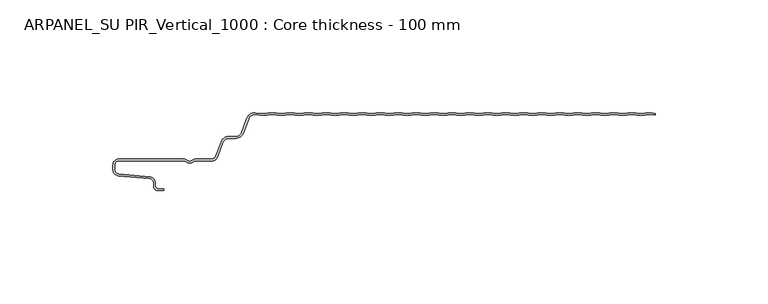
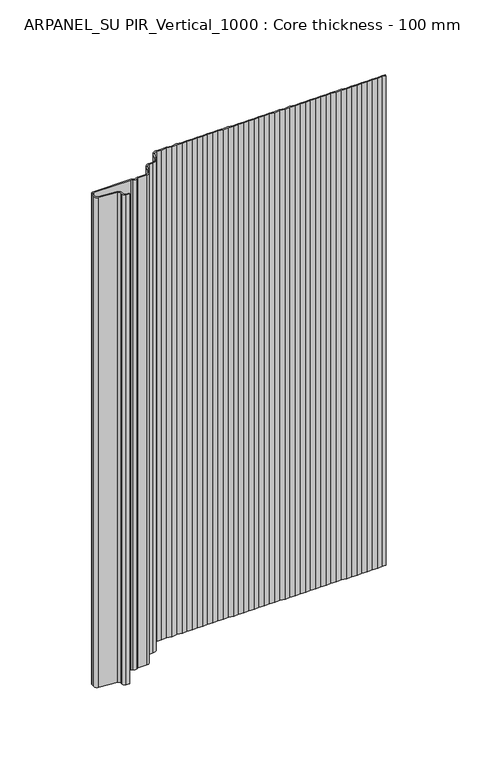
"""IFC4 building model written with IfcOpenShell, lengths in millimetres: plate geometry, ARPANEL_SU PIR_Vertical_1000 : Core thickness - 100 mm."""

from ifc_helpers import new_model, si_unit, frame, origin, place, context, project, spatial, polyline, circle_curve, source, transform, mapped, element, save
from ifc_brep_helpers import plane_surface, cylinder_surface, revolved_surface, advanced_brep


def arpanel_su_pir_vertical_1000_core_thickness_100_mm_f28e67d1(model_context):
    return source(origin(), model_context, "Body", "AdvancedBrep", [
        advanced_brep(
        [(-49.3959945, 0.0209979, 0.0), (-45.4209945, -0.434916, 0.0), (-41.4459945, 0.020998, 0.0), (-37.4709945, -0.434916, 0.0), (-33.4959945, 0.0209979, 0.0), (-29.5209945, -0.434916, 0.0), (-25.5459945, 0.020998, 0.0), (-21.5709945, -0.434916, 0.0), (-17.5959945, 0.0209979, 0.0), (-13.6209945, -0.434916, 0.0), (-9.6459945, 0.020998, 0.0), (-5.6709945, -0.434916, 0.0), (-1.6959945, 0.0209979, 0.0), (2.2790055, -0.434916, 0.0), (6.2540055, 0.020998, 0.0), (10.2290055, -0.434916, 0.0), (14.2040055, 0.0209979, 0.0), (18.1790055, -0.434916, 0.0), (22.1540055, 0.020998, 0.0), (26.1290055, -0.434916, 0.0), (30.1040055, 0.0209979, 0.0), (34.0790055, -0.434916, 0.0), (38.0540055, 0.0209979, 0.0), (42.0290055, -0.434916, 0.0), (46.0040055, 0.020998, 0.0), (49.9790055, -0.434916, 0.0), (53.9540055, 0.0209979, 0.0), (57.9290055, -0.434916, 0.0), (61.9040055, 0.020998, 0.0), (65.8790055, -0.434916, 0.0), (69.8540055, 0.0209979, 0.0), (73.8290055, -0.434916, 0.0), (77.8040055, 0.020998, 0.0), (81.7790055, -0.434916, 0.0), (85.7540055, 0.0209979, 0.0), (89.7290055, -0.434916, 0.0), (93.7040055, 0.020998, 0.0), (97.6790055, -0.434916, 0.0), (101.6540055, 0.0209979, 0.0), (105.6290055, -0.434916, 0.0), (109.6040055, 0.020998, 0.0), (113.5790055, -0.434916, 0.0), (117.5540055, 0.0209979, 0.0), (119.9999998, -0.2595462, 0.0), (119.9999998, -1.064791, 0.0), (117.5540055, -0.7842469, 0.0), (113.5790055, -1.2401608, 0.0), (109.6040055, -0.7842469, 0.0), (105.6290055, -1.2401608, 0.0), (101.6540055, -0.7842469, 0.0), (97.6790055, -1.2401608, 0.0), (93.7040055, -0.7842469, 0.0), (89.7290055, -1.2401608, 0.0), (85.7540055, -0.7842469, 0.0), (81.7790055, -1.2401608, 0.0), (77.8040055, -0.7842469, 0.0), (73.8290055, -1.2401608, 0.0), (69.8540055, -0.7842469, 0.0), (65.8790055, -1.2401608, 0.0), (61.9040055, -0.7842469, 0.0), (57.9290055, -1.2401608, 0.0), (53.9540055, -0.7842469, 0.0), (49.9790055, -1.2401608, 0.0), (46.0040055, -0.7842469, 0.0), (42.0290055, -1.2401608, 0.0), (38.0540055, -0.7842469, 0.0), (34.0790055, -1.2401608, 0.0), (30.1040055, -0.7842469, 0.0), (26.1290055, -1.2401608, 0.0), (22.1540055, -0.7842469, 0.0), (18.1790055, -1.2401608, 0.0), (14.2040055, -0.7842469, 0.0), (10.2290055, -1.2401608, 0.0), (6.2540055, -0.7842469, 0.0), (2.2790055, -1.2401608, 0.0), (-1.6959945, -0.7842469, 0.0), (-5.6709945, -1.2401608, 0.0), (-9.6459945, -0.7842469, 0.0), (-13.6209945, -1.2401608, 0.0), (-17.5959945, -0.7842469, 0.0), (-21.5709945, -1.2401608, 0.0), (-25.5459945, -0.7842469, 0.0), (-29.5209945, -1.2401608, 0.0), (-33.4959945, -0.7842469, 0.0), (-37.4709945, -1.2401608, 0.0), (-41.4459945, -0.7842469, 0.0), (-45.4209945, -1.2401608, 0.0), (-49.3959945, -0.7842469, 0.0), (-53.3709945, -1.2401608, 0.0), (-56.974295, -0.8268791, 0.0), (-59.9575556, -2.6832307, 0.0), (-62.1915348, -8.821038, 0.0), (-65.8165278, -11.3209755, 0.0), (-68.7504363, -11.3209755, 0.0), (-71.4097075, -13.1828966, 0.0), (-73.7017226, -19.4789642, 0.0), (-76.3328037, -21.3211477, 0.0), (-83.355028, -21.3211477, 0.0), (-84.4794723, -21.7461477, 0.0), (-87.5220864, -21.7461477, 0.0), (-88.6465307, -21.3211477, 0.0), (-117.3699998, -21.3211477, 0.0), (-119.1999998, -23.1511477, 0.0), (-119.1999998, -25.314536, 0.0), (-117.5294949, -27.1375723, 0.0), (-103.7559637, -28.3426003, 0.0), (-101.1999998, -31.1319454, 0.0), (-101.1999998, -32.5211477, 0.0), (-99.9999998, -33.7211477, 0.0), (-97.4999998, -33.7211477, 0.0), (-97.4999998, -34.5211477, 0.0), (-99.9999998, -34.5211477, 0.0), (-101.9999998, -32.5211477, 0.0), (-101.9999998, -31.1319454, 0.0), (-103.8256883, -29.1395561, 0.0), (-117.5992195, -27.934528, 0.0), (-119.9999998, -25.314536, 0.0), (-119.9999998, -23.1511477, 0.0), (-117.3699998, -20.5211477, 0.0), (-88.6465307, -20.5211477, 0.0), (-86.9929361, -21.1461477, 0.0), (-85.0086226, -21.1461477, 0.0), (-83.355028, -20.5211477, 0.0), (-76.3328037, -20.5211477, 0.0), (-74.45346, -19.2053023, 0.0), (-72.161445, -12.9092348, 0.0), (-68.7504363, -10.5209755, 0.0), (-65.8104898, -10.5209755, 0.0), (-62.9432889, -8.5474219, 0.0), (-60.7093097, -2.4096146, 0.0), (-56.8845932, -0.044791, 0.0), (-53.3709945, -0.434916, 0.0), (-49.3959945, 0.0209979, 400.0), (-53.3709945, -0.434916, 400.0), (-56.8831364, -0.0320897, 400.0), (-60.7093097, -2.4096146, 400.0), (-62.9432889, -8.5474219, 400.0), (-65.8104898, -10.5209755, 400.0), (-68.7504363, -10.5209755, 400.0), (-72.161445, -12.9092348, 400.0), (-74.45346, -19.2053023, 400.0), (-76.3328037, -20.5211477, 400.0), (-83.355028, -20.5211477, 400.0), (-85.0086226, -21.1461477, 400.0), (-86.9929361, -21.1461477, 400.0), (-88.6465307, -20.5211477, 400.0), (-117.3699998, -20.5211477, 400.0), (-119.9999998, -23.1511477, 400.0), (-119.9999998, -25.314536, 400.0), (-117.5992195, -27.934528, 400.0), (-103.8256883, -29.1395561, 400.0), (-101.9999998, -31.1319454, 400.0), (-101.9999998, -32.5211477, 400.0), (-99.9999998, -34.5211477, 400.0), (-97.4999998, -34.5211477, 400.0), (-97.4999998, -33.7211477, 400.0), (-99.9999998, -33.7211477, 400.0), (-101.1999998, -32.5211477, 400.0), (-101.1999998, -31.1319454, 400.0), (-103.7559637, -28.3426003, 400.0), (-117.5294949, -27.1375723, 400.0), (-119.1999998, -25.314536, 400.0), (-119.1999998, -23.1511477, 400.0), (-117.3699998, -21.3211477, 400.0), (-88.6465307, -21.3211477, 400.0), (-87.5220864, -21.7461477, 400.0), (-84.4794723, -21.7461477, 400.0), (-83.355028, -21.3211477, 400.0), (-76.3328037, -21.3211477, 400.0), (-73.7017226, -19.4789642, 400.0), (-71.4097075, -13.1828966, 400.0), (-68.7504363, -11.3209755, 400.0), (-65.8165278, -11.3209755, 400.0), (-62.1915348, -8.821038, 400.0), (-59.9575556, -2.6832307, 400.0), (-56.9757518, -0.8395804, 400.0), (-53.3709945, -1.2401608, 400.0), (-49.3959945, -0.7842469, 400.0), (-45.4209945, -1.2401608, 400.0), (-41.4459945, -0.7842469, 400.0), (-37.4709945, -1.2401608, 400.0), (-33.4959945, -0.7842469, 400.0), (-29.5209945, -1.2401608, 400.0), (-25.5459945, -0.7842469, 400.0), (-21.5709945, -1.2401608, 400.0), (-17.5959945, -0.7842469, 400.0), (-13.6209945, -1.2401608, 400.0), (-9.6459945, -0.7842469, 400.0), (-5.6709945, -1.2401608, 400.0), (-1.6959945, -0.7842469, 400.0), (2.2790055, -1.2401608, 400.0), (6.2540055, -0.7842469, 400.0), (10.2290055, -1.2401608, 400.0), (14.2040055, -0.7842469, 400.0), (18.1790055, -1.2401608, 400.0), (22.1540055, -0.7842469, 400.0), (26.1290055, -1.2401608, 400.0), (30.1040055, -0.7842469, 400.0), (34.0790055, -1.2401608, 400.0), (38.0540055, -0.7842469, 400.0), (42.0290055, -1.2401608, 400.0), (46.0040055, -0.7842469, 400.0), (49.9790055, -1.2401608, 400.0), (53.9540055, -0.7842469, 400.0), (57.9290055, -1.2401608, 400.0), (61.9040055, -0.7842469, 400.0), (65.8790055, -1.2401608, 400.0), (69.8540055, -0.7842469, 400.0), (73.8290055, -1.2401608, 400.0), (77.8040055, -0.7842469, 400.0), (81.7790055, -1.2401608, 400.0), (85.7540055, -0.7842469, 400.0), (89.7290055, -1.2401608, 400.0), (93.7040055, -0.7842469, 400.0), (97.6790055, -1.2401608, 400.0), (101.6540055, -0.7842469, 400.0), (105.6290055, -1.2401608, 400.0), (109.6040055, -0.7842469, 400.0), (113.5790055, -1.2401608, 400.0), (117.5540055, -0.7842469, 400.0), (119.9999998, -1.064791, 400.0), (119.9999998, -0.2595462, 400.0), (117.5540055, 0.0209979, 400.0), (113.5790055, -0.434916, 400.0), (109.6040055, 0.020998, 400.0), (105.6290055, -0.434916, 400.0), (101.6540055, 0.0209979, 400.0), (97.6790055, -0.434916, 400.0), (93.7040055, 0.020998, 400.0), (89.7290055, -0.434916, 400.0), (85.7540055, 0.0209979, 400.0), (81.7790055, -0.434916, 400.0), (77.8040055, 0.020998, 400.0), (73.8290055, -0.434916, 400.0), (69.8540055, 0.0209979, 400.0), (65.8790055, -0.434916, 400.0), (61.9040055, 0.020998, 400.0), (57.9290055, -0.434916, 400.0), (53.9540055, 0.0209979, 400.0), (49.9790055, -0.434916, 400.0), (46.0040055, 0.020998, 400.0), (42.0290055, -0.434916, 400.0), (38.0540055, 0.0209979, 400.0), (34.0790055, -0.434916, 400.0), (30.1040055, 0.0209979, 400.0), (26.1290055, -0.434916, 400.0), (22.1540055, 0.020998, 400.0), (18.1790055, -0.434916, 400.0), (14.2040055, 0.0209979, 400.0), (10.2290055, -0.434916, 400.0), (6.2540055, 0.020998, 400.0), (2.2790055, -0.434916, 400.0), (-1.6959945, 0.0209979, 400.0), (-5.6709945, -0.434916, 400.0), (-9.6459945, 0.020998, 400.0), (-13.6209945, -0.434916, 400.0), (-17.5959945, 0.0209979, 400.0), (-21.5709945, -0.434916, 400.0), (-25.5459945, 0.020998, 400.0), (-29.5209945, -0.434916, 400.0), (-33.4959945, 0.0209979, 400.0), (-37.4709945, -0.434916, 400.0), (-41.4459945, 0.020998, 400.0), (-45.4209945, -0.434916, 400.0)],
        [
            (0, 1),
            (1, 2),
            (2, 3),
            (3, 4),
            (4, 5),
            (5, 6),
            (6, 7),
            (7, 8),
            (8, 9),
            (9, 10),
            (10, 11),
            (11, 12),
            (12, 13),
            (13, 14),
            (14, 15),
            (15, 16),
            (16, 17),
            (17, 18),
            (18, 19),
            (19, 20),
            (20, 21),
            (21, 22),
            (22, 23),
            (23, 24),
            (24, 25),
            (25, 26),
            (26, 27),
            (27, 28),
            (28, 29),
            (29, 30),
            (30, 31),
            (31, 32),
            (32, 33),
            (33, 34),
            (34, 35),
            (35, 36),
            (36, 37),
            (37, 38),
            (38, 39),
            (39, 40),
            (40, 41),
            (41, 42),
            (42, 43),
            (43, 44),
            (44, 45),
            (45, 46),
            (46, 47),
            (47, 48),
            (48, 49),
            (49, 50),
            (50, 51),
            (51, 52),
            (52, 53),
            (53, 54),
            (54, 55),
            (55, 56),
            (56, 57),
            (57, 58),
            (58, 59),
            (59, 60),
            (60, 61),
            (61, 62),
            (62, 63),
            (63, 64),
            (64, 65),
            (65, 66),
            (66, 67),
            (67, 68),
            (68, 69),
            (69, 70),
            (70, 71),
            (71, 72),
            (72, 73),
            (73, 74),
            (74, 75),
            (75, 76),
            (76, 77),
            (77, 78),
            (78, 79),
            (79, 80),
            (80, 81),
            (81, 82),
            (82, 83),
            (83, 84),
            (84, 85),
            (85, 86),
            (86, 87),
            (87, 88),
            (88, 89),
            (89, 90, circle_curve(frame((-57.2982255, -3.6511477, 0.0), z_axis=(0.0, 0.0, 1.0), x_axis=(1.0, 0.0, 0.0)), 2.83)),
            (90, 91),
            (91, 92, circle_curve(frame((-65.7623667, -7.5213615, 0.0), z_axis=(0.0, 0.0, -1.0), x_axis=(1.0, 0.0, 0.0)), 3.8)),
            (92, 93),
            (93, 94, circle_curve(frame((-68.7504363, -14.1509755, 0.0), z_axis=(0.0, 0.0, 1.0), x_axis=(1.0, 0.0, 0.0)), 2.83)),
            (94, 95),
            (95, 96, circle_curve(frame((-76.3328037, -18.5211477, 0.0), z_axis=(0.0, 0.0, -1.0), x_axis=(1.0, 0.0, 0.0)), 2.8)),
            (96, 97),
            (97, 98, circle_curve(frame((-83.355028, -23.0211477, 0.0), z_axis=(0.0, 0.0, 1.0), x_axis=(1.0, 0.0, 0.0)), 1.7)),
            (98, 99, circle_curve(frame((-86.0007794, -20.0211477, 0.0), z_axis=(0.0, 0.0, -1.0), x_axis=(1.0, 0.0, 0.0)), 2.3)),
            (99, 100, circle_curve(frame((-88.6465307, -23.0211477, 0.0), z_axis=(0.0, 0.0, 1.0), x_axis=(1.0, 0.0, 0.0)), 1.7)),
            (100, 101),
            (101, 102, circle_curve(frame((-117.3699998, -23.1511477, 0.0), z_axis=(0.0, 0.0, 1.0), x_axis=(1.0, 0.0, 0.0)), 1.83)),
            (102, 103),
            (103, 104, circle_curve(frame((-117.3699998, -25.314536, 0.0), z_axis=(0.0, 0.0, 1.0), x_axis=(1.0, 0.0, 0.0)), 1.83)),
            (104, 105),
            (105, 106, circle_curve(frame((-103.9999998, -31.1319454, 0.0), z_axis=(0.0, 0.0, -1.0), x_axis=(1.0, 0.0, 0.0)), 2.8)),
            (106, 107),
            (107, 108, circle_curve(frame((-99.9999998, -32.5211477, 0.0), z_axis=(0.0, 0.0, 1.0), x_axis=(1.0, 0.0, 0.0)), 1.2)),
            (108, 109),
            (109, 110),
            (110, 111),
            (111, 112, circle_curve(frame((-99.9999998, -32.5211477, 0.0), z_axis=(0.0, 0.0, -1.0), x_axis=(1.0, 0.0, 0.0)), 2.0)),
            (112, 113),
            (113, 114, circle_curve(frame((-103.9999998, -31.1319454, 0.0), z_axis=(0.0, 0.0, 1.0), x_axis=(1.0, 0.0, 0.0)), 2.0)),
            (114, 115),
            (115, 116, circle_curve(frame((-117.3699998, -25.314536, 0.0), z_axis=(0.0, 0.0, -1.0), x_axis=(1.0, 0.0, 0.0)), 2.63)),
            (116, 117),
            (117, 118, circle_curve(frame((-117.3699998, -23.1511477, 0.0), z_axis=(0.0, 0.0, -1.0), x_axis=(1.0, 0.0, 0.0)), 2.63)),
            (118, 119),
            (119, 120, circle_curve(frame((-88.6465307, -23.0211477, 0.0), z_axis=(0.0, 0.0, -1.0), x_axis=(1.0, 0.0, 0.0)), 2.5)),
            (120, 121, circle_curve(frame((-86.0007794, -20.0211477, 0.0), z_axis=(0.0, 0.0, 1.0), x_axis=(1.0, 0.0, 0.0)), 1.5)),
            (121, 122, circle_curve(frame((-83.355028, -23.0211477, 0.0), z_axis=(0.0, 0.0, -1.0), x_axis=(1.0, 0.0, 0.0)), 2.5)),
            (122, 123),
            (123, 124, circle_curve(frame((-76.3328037, -18.5211477, 0.0), z_axis=(0.0, 0.0, 1.0), x_axis=(1.0, 0.0, 0.0)), 2.0)),
            (124, 125),
            (125, 126, circle_curve(frame((-68.7504363, -14.1509755, 0.0), z_axis=(0.0, 0.0, -1.0), x_axis=(1.0, 0.0, 0.0)), 3.63)),
            (126, 127),
            (127, 128, circle_curve(frame((-65.7623667, -7.5213615, 0.0), z_axis=(0.0, 0.0, 1.0), x_axis=(1.0, 0.0, 0.0)), 3.0)),
            (128, 129),
            (129, 130, circle_curve(frame((-57.2982255, -3.6511477, 0.0), z_axis=(0.0, 0.0, -1.0), x_axis=(1.0, 0.0, 0.0)), 3.63)),
            (130, 131),
            (131, 0),
            (132, 133),
            (133, 134),
            (134, 135, circle_curve(frame((-57.2982255, -3.6511477, 400.0), z_axis=(0.0, 0.0, 1.0), x_axis=(1.0, 0.0, 0.0)), 3.63)),
            (135, 136),
            (136, 137, circle_curve(frame((-65.7623667, -7.5213615, 400.0), z_axis=(0.0, 0.0, -1.0), x_axis=(1.0, 0.0, 0.0)), 3.0)),
            (137, 138),
            (138, 139, circle_curve(frame((-68.7504363, -14.1509755, 400.0), z_axis=(0.0, 0.0, 1.0), x_axis=(1.0, 0.0, 0.0)), 3.63)),
            (139, 140),
            (140, 141, circle_curve(frame((-76.3328037, -18.5211477, 400.0), z_axis=(0.0, 0.0, -1.0), x_axis=(1.0, 0.0, 0.0)), 2.0)),
            (141, 142),
            (142, 143, circle_curve(frame((-83.355028, -23.0211477, 400.0), z_axis=(0.0, 0.0, 1.0), x_axis=(1.0, 0.0, 0.0)), 2.5)),
            (143, 144, circle_curve(frame((-86.0007794, -20.0211477, 400.0), z_axis=(0.0, 0.0, -1.0), x_axis=(1.0, 0.0, 0.0)), 1.5)),
            (144, 145, circle_curve(frame((-88.6465307, -23.0211477, 400.0), z_axis=(0.0, 0.0, 1.0), x_axis=(1.0, 0.0, 0.0)), 2.5)),
            (145, 146),
            (146, 147, circle_curve(frame((-117.3699998, -23.1511477, 400.0), z_axis=(0.0, 0.0, 1.0), x_axis=(1.0, 0.0, 0.0)), 2.63)),
            (147, 148),
            (148, 149, circle_curve(frame((-117.3699998, -25.314536, 400.0), z_axis=(0.0, 0.0, 1.0), x_axis=(1.0, 0.0, 0.0)), 2.63)),
            (149, 150),
            (150, 151, circle_curve(frame((-103.9999998, -31.1319454, 400.0), z_axis=(0.0, 0.0, -1.0), x_axis=(1.0, 0.0, 0.0)), 2.0)),
            (151, 152),
            (152, 153, circle_curve(frame((-99.9999998, -32.5211477, 400.0), z_axis=(0.0, 0.0, 1.0), x_axis=(1.0, 0.0, 0.0)), 2.0)),
            (153, 154),
            (154, 155),
            (155, 156),
            (156, 157, circle_curve(frame((-99.9999998, -32.5211477, 400.0), z_axis=(0.0, 0.0, -1.0), x_axis=(1.0, 0.0, 0.0)), 1.2)),
            (157, 158),
            (158, 159, circle_curve(frame((-103.9999998, -31.1319454, 400.0), z_axis=(0.0, 0.0, 1.0), x_axis=(1.0, 0.0, 0.0)), 2.8)),
            (159, 160),
            (160, 161, circle_curve(frame((-117.3699998, -25.314536, 400.0), z_axis=(0.0, 0.0, -1.0), x_axis=(1.0, 0.0, 0.0)), 1.83)),
            (161, 162),
            (162, 163, circle_curve(frame((-117.3699998, -23.1511477, 400.0), z_axis=(0.0, 0.0, -1.0), x_axis=(1.0, 0.0, 0.0)), 1.83)),
            (163, 164),
            (164, 165, circle_curve(frame((-88.6465307, -23.0211477, 400.0), z_axis=(0.0, 0.0, -1.0), x_axis=(1.0, 0.0, 0.0)), 1.7)),
            (165, 166, circle_curve(frame((-86.0007794, -20.0211477, 400.0), z_axis=(0.0, 0.0, 1.0), x_axis=(1.0, 0.0, 0.0)), 2.3)),
            (166, 167, circle_curve(frame((-83.355028, -23.0211477, 400.0), z_axis=(0.0, 0.0, -1.0), x_axis=(1.0, 0.0, 0.0)), 1.7)),
            (167, 168),
            (168, 169, circle_curve(frame((-76.3328037, -18.5211477, 400.0), z_axis=(0.0, 0.0, 1.0), x_axis=(1.0, 0.0, 0.0)), 2.8)),
            (169, 170),
            (170, 171, circle_curve(frame((-68.7504363, -14.1509755, 400.0), z_axis=(0.0, 0.0, -1.0), x_axis=(1.0, 0.0, 0.0)), 2.83)),
            (171, 172),
            (172, 173, circle_curve(frame((-65.7623667, -7.5213615, 400.0), z_axis=(0.0, 0.0, 1.0), x_axis=(1.0, 0.0, 0.0)), 3.8)),
            (173, 174),
            (174, 175, circle_curve(frame((-57.2982255, -3.6511477, 400.0), z_axis=(0.0, 0.0, -1.0), x_axis=(1.0, 0.0, 0.0)), 2.83)),
            (175, 176),
            (176, 177),
            (177, 178),
            (178, 179),
            (179, 180),
            (180, 181),
            (181, 182),
            (182, 183),
            (183, 184),
            (184, 185),
            (185, 186),
            (186, 187),
            (187, 188),
            (188, 189),
            (189, 190),
            (190, 191),
            (191, 192),
            (192, 193),
            (193, 194),
            (194, 195),
            (195, 196),
            (196, 197),
            (197, 198),
            (198, 199),
            (199, 200),
            (200, 201),
            (201, 202),
            (202, 203),
            (203, 204),
            (204, 205),
            (205, 206),
            (206, 207),
            (207, 208),
            (208, 209),
            (209, 210),
            (210, 211),
            (211, 212),
            (212, 213),
            (213, 214),
            (214, 215),
            (215, 216),
            (216, 217),
            (217, 218),
            (218, 219),
            (219, 220),
            (220, 221),
            (221, 222),
            (222, 223),
            (223, 224),
            (224, 225),
            (225, 226),
            (226, 227),
            (227, 228),
            (228, 229),
            (229, 230),
            (230, 231),
            (231, 232),
            (232, 233),
            (233, 234),
            (234, 235),
            (235, 236),
            (236, 237),
            (237, 238),
            (238, 239),
            (239, 240),
            (240, 241),
            (241, 242),
            (242, 243),
            (243, 244),
            (244, 245),
            (245, 246),
            (246, 247),
            (247, 248),
            (248, 249),
            (249, 250),
            (250, 251),
            (251, 252),
            (252, 253),
            (253, 254),
            (254, 255),
            (255, 256),
            (256, 257),
            (257, 258),
            (258, 259),
            (259, 260),
            (260, 261),
            (261, 262),
            (262, 263),
            (263, 132),
            (130, 134),
            (133, 131),
            (132, 0),
            (263, 1),
            (262, 2),
            (261, 3),
            (260, 4),
            (259, 5),
            (258, 6),
            (257, 7),
            (256, 8),
            (255, 9),
            (254, 10),
            (253, 11),
            (252, 12),
            (251, 13),
            (250, 14),
            (249, 15),
            (248, 16),
            (247, 17),
            (246, 18),
            (245, 19),
            (244, 20),
            (243, 21),
            (242, 22),
            (241, 23),
            (240, 24),
            (239, 25),
            (238, 26),
            (237, 27),
            (236, 28),
            (235, 29),
            (234, 30),
            (233, 31),
            (232, 32),
            (231, 33),
            (230, 34),
            (229, 35),
            (228, 36),
            (227, 37),
            (226, 38),
            (225, 39),
            (224, 40),
            (223, 41),
            (222, 42),
            (221, 43),
            (219, 45),
            (44, 220),
            (218, 46),
            (217, 47),
            (216, 48),
            (215, 49),
            (214, 50),
            (213, 51),
            (212, 52),
            (211, 53),
            (210, 54),
            (209, 55),
            (208, 56),
            (207, 57),
            (206, 58),
            (205, 59),
            (204, 60),
            (203, 61),
            (202, 62),
            (201, 63),
            (200, 64),
            (199, 65),
            (198, 66),
            (197, 67),
            (196, 68),
            (195, 69),
            (194, 70),
            (193, 71),
            (192, 72),
            (191, 73),
            (190, 74),
            (189, 75),
            (188, 76),
            (187, 77),
            (186, 78),
            (185, 79),
            (184, 80),
            (183, 81),
            (182, 82),
            (181, 83),
            (180, 84),
            (179, 85),
            (178, 86),
            (177, 87),
            (176, 88),
            (175, 89),
            (174, 90),
            (173, 91),
            (172, 92),
            (171, 93),
            (170, 94),
            (169, 95),
            (168, 96),
            (167, 97),
            (166, 98),
            (165, 99),
            (164, 100),
            (163, 101),
            (162, 102),
            (161, 103),
            (160, 104),
            (159, 105),
            (158, 106),
            (157, 107),
            (156, 108),
            (155, 109),
            (154, 110),
            (153, 111),
            (152, 112),
            (151, 113),
            (150, 114),
            (149, 115),
            (148, 116),
            (147, 117),
            (146, 118),
            (145, 119),
            (144, 120),
            (143, 121),
            (142, 122),
            (141, 123),
            (140, 124),
            (139, 125),
            (138, 126),
            (137, 127),
            (136, 128),
            (135, 129),
        ],
        [
            plane_surface(frame((-119.9999998, 0.0, 0.0), z_axis=(0.0, 0.0, -1.0), x_axis=(0.0, -1.0, 0.0))),
            plane_surface(frame((-119.9999998, 0.0, 400.0), z_axis=(0.0, 0.0, 1.0), x_axis=(0.0, -1.0, 0.0))),
            plane_surface(frame((-56.8831364, -0.0320897, 0.0), z_axis=(0.1139482933894682, 0.9934866815582521, 0.0), x_axis=(0.0, 0.0, 1.0))),
            plane_surface(frame((-53.3709945, -0.434916, 0.0), z_axis=(-0.11394829305823967, 0.9934866815962424, 0.0), x_axis=(0.0, 0.0, 1.0))),
            plane_surface(frame((-49.3959945, 0.0209979, 0.0), z_axis=(0.113948293058167, 0.9934866815962509, 0.0), x_axis=(0.0, 0.0, 1.0))),
            plane_surface(frame((-45.4209945, -0.434916, 0.0), z_axis=(-0.11394829338954086, 0.9934866815582437, 0.0), x_axis=(0.0, 0.0, 1.0))),
            plane_surface(frame((-41.4459945, 0.020998, 0.0), z_axis=(0.1139482933894682, 0.9934866815582521, 0.0), x_axis=(0.0, 0.0, 1.0))),
            plane_surface(frame((-37.4709945, -0.434916, 0.0), z_axis=(-0.11394829305823967, 0.9934866815962424, 0.0), x_axis=(0.0, 0.0, 1.0))),
            plane_surface(frame((-33.4959945, 0.0209979, 0.0), z_axis=(0.113948293058167, 0.9934866815962509, 0.0), x_axis=(0.0, 0.0, 1.0))),
            plane_surface(frame((-29.5209945, -0.434916, 0.0), z_axis=(-0.11394829338954086, 0.9934866815582437, 0.0), x_axis=(0.0, 0.0, 1.0))),
            plane_surface(frame((-25.5459945, 0.020998, 0.0), z_axis=(0.1139482933894682, 0.9934866815582521, 0.0), x_axis=(0.0, 0.0, 1.0))),
            plane_surface(frame((-21.5709945, -0.434916, 0.0), z_axis=(-0.11394829305823967, 0.9934866815962424, 0.0), x_axis=(0.0, 0.0, 1.0))),
            plane_surface(frame((-17.5959945, 0.0209979, 0.0), z_axis=(0.113948293058167, 0.9934866815962509, 0.0), x_axis=(0.0, 0.0, 1.0))),
            plane_surface(frame((-13.6209945, -0.434916, 0.0), z_axis=(-0.11394829338954086, 0.9934866815582437, 0.0), x_axis=(0.0, 0.0, 1.0))),
            plane_surface(frame((-9.6459945, 0.020998, 0.0), z_axis=(0.1139482933894682, 0.9934866815582521, 0.0), x_axis=(0.0, 0.0, 1.0))),
            plane_surface(frame((-5.6709945, -0.434916, 0.0), z_axis=(-0.11394829305823967, 0.9934866815962424, 0.0), x_axis=(0.0, 0.0, 1.0))),
            plane_surface(frame((-1.6959945, 0.0209979, 0.0), z_axis=(0.113948293058167, 0.9934866815962509, 0.0), x_axis=(0.0, 0.0, 1.0))),
            plane_surface(frame((2.2790055, -0.434916, 0.0), z_axis=(-0.11394829338954086, 0.9934866815582437, 0.0), x_axis=(0.0, 0.0, 1.0))),
            plane_surface(frame((6.2540055, 0.020998, 0.0), z_axis=(0.1139482933894682, 0.9934866815582521, 0.0), x_axis=(0.0, 0.0, 1.0))),
            plane_surface(frame((10.2290055, -0.434916, 0.0), z_axis=(-0.11394829305823967, 0.9934866815962424, 0.0), x_axis=(0.0, 0.0, 1.0))),
            plane_surface(frame((14.2040055, 0.0209979, 0.0), z_axis=(0.113948293058167, 0.9934866815962509, 0.0), x_axis=(0.0, 0.0, 1.0))),
            plane_surface(frame((18.1790055, -0.434916, 0.0), z_axis=(-0.11394829338954086, 0.9934866815582437, 0.0), x_axis=(0.0, 0.0, 1.0))),
            plane_surface(frame((22.1540055, 0.020998, 0.0), z_axis=(0.1139482933894682, 0.9934866815582521, 0.0), x_axis=(0.0, 0.0, 1.0))),
            plane_surface(frame((26.1290055, -0.434916, 0.0), z_axis=(-0.11394829305823967, 0.9934866815962424, 0.0), x_axis=(0.0, 0.0, 1.0))),
            plane_surface(frame((30.1040055, 0.0209979, 0.0), z_axis=(0.113948293058167, 0.9934866815962509, 0.0), x_axis=(0.0, 0.0, 1.0))),
            plane_surface(frame((34.0790055, -0.434916, 0.0), z_axis=(-0.11394829305823967, 0.9934866815962424, 0.0), x_axis=(0.0, 0.0, 1.0))),
            plane_surface(frame((38.0540055, 0.0209979, 0.0), z_axis=(0.113948293058167, 0.9934866815962509, 0.0), x_axis=(0.0, 0.0, 1.0))),
            plane_surface(frame((42.0290055, -0.434916, 0.0), z_axis=(-0.11394829338954086, 0.9934866815582437, 0.0), x_axis=(0.0, 0.0, 1.0))),
            plane_surface(frame((46.0040055, 0.020998, 0.0), z_axis=(0.1139482933894682, 0.9934866815582521, 0.0), x_axis=(0.0, 0.0, 1.0))),
            plane_surface(frame((49.9790055, -0.434916, 0.0), z_axis=(-0.11394829305823967, 0.9934866815962424, 0.0), x_axis=(0.0, 0.0, 1.0))),
            plane_surface(frame((53.9540055, 0.0209979, 0.0), z_axis=(0.113948293058167, 0.9934866815962509, 0.0), x_axis=(0.0, 0.0, 1.0))),
            plane_surface(frame((57.9290055, -0.434916, 0.0), z_axis=(-0.11394829338954086, 0.9934866815582437, 0.0), x_axis=(0.0, 0.0, 1.0))),
            plane_surface(frame((61.9040055, 0.020998, 0.0), z_axis=(0.1139482933894682, 0.9934866815582521, 0.0), x_axis=(0.0, 0.0, 1.0))),
            plane_surface(frame((65.8790055, -0.434916, 0.0), z_axis=(-0.11394829305823967, 0.9934866815962424, 0.0), x_axis=(0.0, 0.0, 1.0))),
            plane_surface(frame((69.8540055, 0.0209979, 0.0), z_axis=(0.113948293058167, 0.9934866815962509, 0.0), x_axis=(0.0, 0.0, 1.0))),
            plane_surface(frame((73.8290055, -0.434916, 0.0), z_axis=(-0.11394829338954086, 0.9934866815582437, 0.0), x_axis=(0.0, 0.0, 1.0))),
            plane_surface(frame((77.8040055, 0.020998, 0.0), z_axis=(0.1139482933894682, 0.9934866815582521, 0.0), x_axis=(0.0, 0.0, 1.0))),
            plane_surface(frame((81.7790055, -0.434916, 0.0), z_axis=(-0.11394829305823967, 0.9934866815962424, 0.0), x_axis=(0.0, 0.0, 1.0))),
            plane_surface(frame((85.7540055, 0.0209979, 0.0), z_axis=(0.113948293058167, 0.9934866815962509, 0.0), x_axis=(0.0, 0.0, 1.0))),
            plane_surface(frame((89.7290055, -0.434916, 0.0), z_axis=(-0.11394829338954086, 0.9934866815582437, 0.0), x_axis=(0.0, 0.0, 1.0))),
            plane_surface(frame((93.7040055, 0.020998, 0.0), z_axis=(0.1139482933894682, 0.9934866815582521, 0.0), x_axis=(0.0, 0.0, 1.0))),
            plane_surface(frame((97.6790055, -0.434916, 0.0), z_axis=(-0.11394829305823967, 0.9934866815962424, 0.0), x_axis=(0.0, 0.0, 1.0))),
            plane_surface(frame((101.6540055, 0.0209979, 0.0), z_axis=(0.113948293058167, 0.9934866815962509, 0.0), x_axis=(0.0, 0.0, 1.0))),
            plane_surface(frame((105.6290055, -0.434916, 0.0), z_axis=(-0.11394829338954086, 0.9934866815582437, 0.0), x_axis=(0.0, 0.0, 1.0))),
            plane_surface(frame((109.6040055, 0.020998, 0.0), z_axis=(0.1139482933894682, 0.9934866815582521, 0.0), x_axis=(0.0, 0.0, 1.0))),
            plane_surface(frame((113.5790055, -0.434916, 0.0), z_axis=(-0.11394829305823967, 0.9934866815962424, 0.0), x_axis=(0.0, 0.0, 1.0))),
            plane_surface(frame((117.5540055, 0.0209979, 0.0), z_axis=(0.113948293058167, 0.9934866815962509, 0.0), x_axis=(0.0, 0.0, 1.0))),
            plane_surface(frame((121.5290055, -1.2401608, 0.0), z_axis=(-0.11394829305816702, -0.9934866815962508, 0.0), x_axis=(0.0, 0.0, 1.0))),
            plane_surface(frame((117.5540055, -0.7842469, 0.0), z_axis=(0.1139482930582397, -0.9934866815962424, 0.0), x_axis=(0.0, 0.0, 1.0))),
            plane_surface(frame((113.5790055, -1.2401608, 0.0), z_axis=(-0.11394829338946819, -0.9934866815582521, 0.0), x_axis=(0.0, 0.0, 1.0))),
            plane_surface(frame((109.6040055, -0.7842469, 0.0), z_axis=(0.11394829338954086, -0.9934866815582437, 0.0), x_axis=(0.0, 0.0, 1.0))),
            plane_surface(frame((105.6290055, -1.2401608, 0.0), z_axis=(-0.11394829305816702, -0.9934866815962508, 0.0), x_axis=(0.0, 0.0, 1.0))),
            plane_surface(frame((101.6540055, -0.7842469, 0.0), z_axis=(0.1139482930582397, -0.9934866815962424, 0.0), x_axis=(0.0, 0.0, 1.0))),
            plane_surface(frame((97.6790055, -1.2401608, 0.0), z_axis=(-0.11394829338946819, -0.9934866815582521, 0.0), x_axis=(0.0, 0.0, 1.0))),
            plane_surface(frame((93.7040055, -0.7842469, 0.0), z_axis=(0.11394829338954086, -0.9934866815582437, 0.0), x_axis=(0.0, 0.0, 1.0))),
            plane_surface(frame((89.7290055, -1.2401608, 0.0), z_axis=(-0.11394829305816702, -0.9934866815962508, 0.0), x_axis=(0.0, 0.0, 1.0))),
            plane_surface(frame((85.7540055, -0.7842469, 0.0), z_axis=(0.1139482930582397, -0.9934866815962424, 0.0), x_axis=(0.0, 0.0, 1.0))),
            plane_surface(frame((81.7790055, -1.2401608, 0.0), z_axis=(-0.11394829338946819, -0.9934866815582521, 0.0), x_axis=(0.0, 0.0, 1.0))),
            plane_surface(frame((77.8040055, -0.7842469, 0.0), z_axis=(0.11394829338954086, -0.9934866815582437, 0.0), x_axis=(0.0, 0.0, 1.0))),
            plane_surface(frame((73.8290055, -1.2401608, 0.0), z_axis=(-0.11394829305816702, -0.9934866815962508, 0.0), x_axis=(0.0, 0.0, 1.0))),
            plane_surface(frame((69.8540055, -0.7842469, 0.0), z_axis=(0.1139482930582397, -0.9934866815962424, 0.0), x_axis=(0.0, 0.0, 1.0))),
            plane_surface(frame((65.8790055, -1.2401608, 0.0), z_axis=(-0.11394829338946819, -0.9934866815582521, 0.0), x_axis=(0.0, 0.0, 1.0))),
            plane_surface(frame((61.9040055, -0.7842469, 0.0), z_axis=(0.11394829338954086, -0.9934866815582437, 0.0), x_axis=(0.0, 0.0, 1.0))),
            plane_surface(frame((57.9290055, -1.2401608, 0.0), z_axis=(-0.11394829305816702, -0.9934866815962508, 0.0), x_axis=(0.0, 0.0, 1.0))),
            plane_surface(frame((53.9540055, -0.7842469, 0.0), z_axis=(0.1139482930582397, -0.9934866815962424, 0.0), x_axis=(0.0, 0.0, 1.0))),
            plane_surface(frame((49.9790055, -1.2401608, 0.0), z_axis=(-0.11394829338946819, -0.9934866815582521, 0.0), x_axis=(0.0, 0.0, 1.0))),
            plane_surface(frame((46.0040055, -0.7842469, 0.0), z_axis=(0.11394829338954086, -0.9934866815582437, 0.0), x_axis=(0.0, 0.0, 1.0))),
            plane_surface(frame((42.0290055, -1.2401608, 0.0), z_axis=(-0.11394829305816702, -0.9934866815962508, 0.0), x_axis=(0.0, 0.0, 1.0))),
            plane_surface(frame((38.0540055, -0.7842469, 0.0), z_axis=(0.1139482930582397, -0.9934866815962424, 0.0), x_axis=(0.0, 0.0, 1.0))),
            plane_surface(frame((34.0790055, -1.2401608, 0.0), z_axis=(-0.11394829305816702, -0.9934866815962508, 0.0), x_axis=(0.0, 0.0, 1.0))),
            plane_surface(frame((30.1040055, -0.7842469, 0.0), z_axis=(0.1139482930582397, -0.9934866815962424, 0.0), x_axis=(0.0, 0.0, 1.0))),
            plane_surface(frame((26.1290055, -1.2401608, 0.0), z_axis=(-0.11394829338946819, -0.9934866815582521, 0.0), x_axis=(0.0, 0.0, 1.0))),
            plane_surface(frame((22.1540055, -0.7842469, 0.0), z_axis=(0.11394829338954086, -0.9934866815582437, 0.0), x_axis=(0.0, 0.0, 1.0))),
            plane_surface(frame((18.1790055, -1.2401608, 0.0), z_axis=(-0.11394829305816702, -0.9934866815962508, 0.0), x_axis=(0.0, 0.0, 1.0))),
            plane_surface(frame((14.2040055, -0.7842469, 0.0), z_axis=(0.1139482930582397, -0.9934866815962424, 0.0), x_axis=(0.0, 0.0, 1.0))),
            plane_surface(frame((10.2290055, -1.2401608, 0.0), z_axis=(-0.11394829338946819, -0.9934866815582521, 0.0), x_axis=(0.0, 0.0, 1.0))),
            plane_surface(frame((6.2540055, -0.7842469, 0.0), z_axis=(0.11394829338954086, -0.9934866815582437, 0.0), x_axis=(0.0, 0.0, 1.0))),
            plane_surface(frame((2.2790055, -1.2401608, 0.0), z_axis=(-0.11394829305816702, -0.9934866815962508, 0.0), x_axis=(0.0, 0.0, 1.0))),
            plane_surface(frame((-1.6959945, -0.7842469, 0.0), z_axis=(0.1139482930582397, -0.9934866815962424, 0.0), x_axis=(0.0, 0.0, 1.0))),
            plane_surface(frame((-5.6709945, -1.2401608, 0.0), z_axis=(-0.11394829338946819, -0.9934866815582521, 0.0), x_axis=(0.0, 0.0, 1.0))),
            plane_surface(frame((-9.6459945, -0.7842469, 0.0), z_axis=(0.11394829338954086, -0.9934866815582437, 0.0), x_axis=(0.0, 0.0, 1.0))),
            plane_surface(frame((-13.6209945, -1.2401608, 0.0), z_axis=(-0.11394829305816702, -0.9934866815962508, 0.0), x_axis=(0.0, 0.0, 1.0))),
            plane_surface(frame((-17.5959945, -0.7842469, 0.0), z_axis=(0.1139482930582397, -0.9934866815962424, 0.0), x_axis=(0.0, 0.0, 1.0))),
            plane_surface(frame((-21.5709945, -1.2401608, 0.0), z_axis=(-0.11394829338946819, -0.9934866815582521, 0.0), x_axis=(0.0, 0.0, 1.0))),
            plane_surface(frame((-25.5459945, -0.7842469, 0.0), z_axis=(0.11394829338954086, -0.9934866815582437, 0.0), x_axis=(0.0, 0.0, 1.0))),
            plane_surface(frame((-29.5209945, -1.2401608, 0.0), z_axis=(-0.11394829305816702, -0.9934866815962508, 0.0), x_axis=(0.0, 0.0, 1.0))),
            plane_surface(frame((-33.4959945, -0.7842469, 0.0), z_axis=(0.1139482930582397, -0.9934866815962424, 0.0), x_axis=(0.0, 0.0, 1.0))),
            plane_surface(frame((-37.4709945, -1.2401608, 0.0), z_axis=(-0.11394829338946819, -0.9934866815582521, 0.0), x_axis=(0.0, 0.0, 1.0))),
            plane_surface(frame((-41.4459945, -0.7842469, 0.0), z_axis=(0.11394829338954086, -0.9934866815582437, 0.0), x_axis=(0.0, 0.0, 1.0))),
            plane_surface(frame((-45.4209945, -1.2401608, 0.0), z_axis=(-0.11394829305816702, -0.9934866815962508, 0.0), x_axis=(0.0, 0.0, 1.0))),
            plane_surface(frame((-49.3959945, -0.7842469, 0.0), z_axis=(0.1139482930582397, -0.9934866815962424, 0.0), x_axis=(0.0, 0.0, 1.0))),
            plane_surface(frame((-53.3709945, -1.2401608, 0.0), z_axis=(-0.11394829338946819, -0.9934866815582521, 0.0), x_axis=(0.0, 0.0, 1.0))),
            revolved_surface(polyline([(-54.4682255, -3.6511477, 400.0), (-54.4682255, -3.6511477, 0.0)]), (-57.2982255, -3.6511477, 0.0), (0.0, 0.0, 1.0)),
            plane_surface(frame((-59.9575556, -2.6832307, 0.0), z_axis=(0.9396926207859131, -0.342020143325656, 0.0), x_axis=(0.0, 0.0, 1.0))),
            cylinder_surface(frame((-65.7623667, -7.5213615, 0.0), z_axis=(0.0, 0.0, -1.0), x_axis=(1.0, 0.0, 0.0)), 3.8),
            plane_surface(frame((-65.8165278, -11.3209755, 0.0), z_axis=(0.0, -1.0, 0.0), x_axis=(0.0, 0.0, 1.0))),
            revolved_surface(polyline([(-65.9204363, -14.1509755, 400.0), (-65.9204363, -14.1509755, 0.0)]), (-68.7504363, -14.1509755, 0.0), (0.0, 0.0, 1.0)),
            plane_surface(frame((-71.4097075, -13.1828966, 0.0), z_axis=(0.939671805717074, -0.34207732684352776, 0.0), x_axis=(0.0, 0.0, 1.0))),
            cylinder_surface(frame((-76.3328037, -18.5211477, 0.0), z_axis=(0.0, 0.0, -1.0), x_axis=(1.0, 0.0, 0.0)), 2.8),
            plane_surface(frame((-76.3328037, -21.3211477, 0.0), z_axis=(0.0, -1.0, 0.0), x_axis=(0.0, 0.0, 1.0))),
            revolved_surface(polyline([(-81.655028, -23.0211477, 400.0), (-81.655028, -23.0211477, 0.0)]), (-83.355028, -23.0211477, 0.0), (0.0, 0.0, 1.0)),
            cylinder_surface(frame((-86.0007794, -20.0211477, 0.0), z_axis=(0.0, 0.0, -1.0), x_axis=(1.0, 0.0, 0.0)), 2.3),
            revolved_surface(polyline([(-86.9465307, -23.0211477, 400.0), (-86.9465307, -23.0211477, 0.0)]), (-88.6465307, -23.0211477, 0.0), (0.0, 0.0, 1.0)),
            plane_surface(frame((-88.6465307, -21.3211477, 0.0), z_axis=(0.0, -1.0, 0.0), x_axis=(0.0, 0.0, 1.0))),
            revolved_surface(polyline([(-115.5399998, -23.1511477, 400.0), (-115.5399998, -23.1511477, 0.0)]), (-117.3699998, -23.1511477, 0.0), (0.0, 0.0, 1.0)),
            plane_surface(frame((-119.1999998, -23.1511477, 0.0), z_axis=(1.0, 0.0, 0.0), x_axis=(0.0, 0.0, 1.0))),
            revolved_surface(polyline([(-115.5399998, -25.314536, 400.0), (-115.5399998, -25.314536, 0.0)]), (-117.3699998, -25.314536, 0.0), (0.0, 0.0, 1.0)),
            plane_surface(frame((-117.5294949, -27.1375723, 0.0), z_axis=(0.08715575752289452, 0.9961946967990798, 0.0), x_axis=(0.0, 0.0, 1.0))),
            cylinder_surface(frame((-103.9999998, -31.1319454, 0.0), z_axis=(0.0, 0.0, -1.0), x_axis=(1.0, 0.0, 0.0)), 2.8),
            plane_surface(frame((-101.1999998, -31.1319454, 0.0), z_axis=(1.0, 0.0, 0.0), x_axis=(0.0, 0.0, 1.0))),
            revolved_surface(polyline([(-98.7999998, -32.5211477, 400.0), (-98.7999998, -32.5211477, 0.0)]), (-99.9999998, -32.5211477, 0.0), (0.0, 0.0, 1.0)),
            plane_surface(frame((-99.9999998, -33.7211477, 0.0), z_axis=(0.0, 1.0, 0.0), x_axis=(0.0, 0.0, 1.0))),
            plane_surface(frame((-97.4999998, -33.7211477, 0.0), z_axis=(1.0, 0.0, 0.0), x_axis=(0.0, 0.0, 1.0))),
            plane_surface(frame((-97.4999998, -34.5211477, 0.0), z_axis=(0.0, -1.0, 0.0), x_axis=(0.0, 0.0, 1.0))),
            cylinder_surface(frame((-99.9999998, -32.5211477, 0.0), z_axis=(0.0, 0.0, -1.0), x_axis=(1.0, 0.0, 0.0)), 2.0),
            plane_surface(frame((-101.9999998, -32.5211477, 0.0), z_axis=(-1.0, 0.0, 0.0), x_axis=(0.0, 0.0, 1.0))),
            revolved_surface(polyline([(-101.9999998, -31.1319454, 400.0), (-101.9999998, -31.1319454, 0.0)]), (-103.9999998, -31.1319454, 0.0), (0.0, 0.0, 1.0)),
            plane_surface(frame((-103.8256883, -29.1395561, 0.0), z_axis=(-0.08715575752289462, -0.9961946967990798, 0.0), x_axis=(0.0, 0.0, 1.0))),
            cylinder_surface(frame((-117.3699998, -25.314536, 0.0), z_axis=(0.0, 0.0, -1.0), x_axis=(1.0, 0.0, 0.0)), 2.63),
            plane_surface(frame((-119.9999998, -25.314536, 0.0), z_axis=(-1.0, 0.0, 0.0), x_axis=(0.0, 0.0, 1.0))),
            cylinder_surface(frame((-117.3699998, -23.1511477, 0.0), z_axis=(0.0, 0.0, -1.0), x_axis=(1.0, 0.0, 0.0)), 2.63),
            plane_surface(frame((-117.3699998, -20.5211477, 0.0), z_axis=(0.0, 1.0, 0.0), x_axis=(0.0, 0.0, 1.0))),
            cylinder_surface(frame((-88.6465307, -23.0211477, 0.0), z_axis=(0.0, 0.0, -1.0), x_axis=(1.0, 0.0, 0.0)), 2.5),
            revolved_surface(polyline([(-84.5007794, -20.0211477, 400.0), (-84.5007794, -20.0211477, 0.0)]), (-86.0007794, -20.0211477, 0.0), (0.0, 0.0, 1.0)),
            cylinder_surface(frame((-83.355028, -23.0211477, 0.0), z_axis=(0.0, 0.0, -1.0), x_axis=(1.0, 0.0, 0.0)), 2.5),
            plane_surface(frame((-83.355028, -20.5211477, 0.0), z_axis=(0.0, 1.0, 0.0), x_axis=(0.0, 0.0, 1.0))),
            revolved_surface(polyline([(-74.3328037, -18.5211477, 400.0), (-74.3328037, -18.5211477, 0.0)]), (-76.3328037, -18.5211477, 0.0), (0.0, 0.0, 1.0)),
            plane_surface(frame((-74.45346, -19.2053023, 0.0), z_axis=(-0.9396718057170741, 0.34207732684352754, 0.0), x_axis=(0.0, 0.0, 1.0))),
            cylinder_surface(frame((-68.7504363, -14.1509755, 0.0), z_axis=(0.0, 0.0, -1.0), x_axis=(1.0, 0.0, 0.0)), 3.63),
            plane_surface(frame((-68.7504363, -10.5209755, 0.0), z_axis=(0.0, 1.0, 0.0), x_axis=(0.0, 0.0, 1.0))),
            revolved_surface(polyline([(-62.7623667, -7.5213615, 400.0), (-62.7623667, -7.5213615, 0.0)]), (-65.7623667, -7.5213615, 0.0), (0.0, 0.0, 1.0)),
            plane_surface(frame((-62.9432889, -8.5474219, 0.0), z_axis=(-0.9396926207859132, 0.3420201433256557, 0.0), x_axis=(0.0, 0.0, 1.0))),
            cylinder_surface(frame((-57.2982255, -3.6511477, 0.0), z_axis=(0.0, 0.0, -1.0), x_axis=(1.0, 0.0, 0.0)), 3.63),
            plane_surface(frame((119.9999998, 180.0, 400.0), z_axis=(1.0, 0.0, 0.0), x_axis=(0.0, 0.0, -1.0))),
        ],
        [
            (0, [[1, 2, 3, 4, 5, 6, 7, 8, 9, 10, 11, 12, 13, 14, 15, 16, 17, 18, 19, 20, 21, 22, 23, 24, 25, 26, 27, 28, 29, 30, 31, 32, 33, 34, 35, 36, 37, 38, 39, 40, 41, 42, 43, 44, 45, 46, 47, 48, 49, 50, 51, 52, 53, 54, 55, 56, 57, 58, 59, 60, 61, 62, 63, 64, 65, 66, 67, 68, 69, 70, 71, 72, 73, 74, 75, 76, 77, 78, 79, 80, 81, 82, 83, 84, 85, 86, 87, 88, 89, 90, 91, 92, 93, 94, 95, 96, 97, 98, 99, 100, 101, 102, 103, 104, 105, 106, 107, 108, 109, 110, 111, 112, 113, 114, 115, 116, 117, 118, 119, 120, 121, 122, 123, 124, 125, 126, 127, 128, 129, 130, 131, 132]]),
            (1, [[133, 134, 135, 136, 137, 138, 139, 140, 141, 142, 143, 144, 145, 146, 147, 148, 149, 150, 151, 152, 153, 154, 155, 156, 157, 158, 159, 160, 161, 162, 163, 164, 165, 166, 167, 168, 169, 170, 171, 172, 173, 174, 175, 176, 177, 178, 179, 180, 181, 182, 183, 184, 185, 186, 187, 188, 189, 190, 191, 192, 193, 194, 195, 196, 197, 198, 199, 200, 201, 202, 203, 204, 205, 206, 207, 208, 209, 210, 211, 212, 213, 214, 215, 216, 217, 218, 219, 220, 221, 222, 223, 224, 225, 226, 227, 228, 229, 230, 231, 232, 233, 234, 235, 236, 237, 238, 239, 240, 241, 242, 243, 244, 245, 246, 247, 248, 249, 250, 251, 252, 253, 254, 255, 256, 257, 258, 259, 260, 261, 262, 263, 264]]),
            (2, [[-131, 265, -134, 266]]),
            (3, [[-132, -266, -133, 267]]),
            (4, [[-1, -267, -264, 268]]),
            (5, [[-2, -268, -263, 269]]),
            (6, [[-3, -269, -262, 270]]),
            (7, [[-4, -270, -261, 271]]),
            (8, [[-5, -271, -260, 272]]),
            (9, [[-6, -272, -259, 273]]),
            (10, [[-7, -273, -258, 274]]),
            (11, [[-8, -274, -257, 275]]),
            (12, [[-9, -275, -256, 276]]),
            (13, [[-10, -276, -255, 277]]),
            (14, [[-11, -277, -254, 278]]),
            (15, [[-12, -278, -253, 279]]),
            (16, [[-13, -279, -252, 280]]),
            (17, [[-14, -280, -251, 281]]),
            (18, [[-15, -281, -250, 282]]),
            (19, [[-16, -282, -249, 283]]),
            (20, [[-17, -283, -248, 284]]),
            (21, [[-18, -284, -247, 285]]),
            (22, [[-19, -285, -246, 286]]),
            (23, [[-20, -286, -245, 287]]),
            (24, [[-21, -287, -244, 288]]),
            (25, [[-22, -288, -243, 289]]),
            (26, [[-23, -289, -242, 290]]),
            (27, [[-24, -290, -241, 291]]),
            (28, [[-25, -291, -240, 292]]),
            (29, [[-26, -292, -239, 293]]),
            (30, [[-27, -293, -238, 294]]),
            (31, [[-28, -294, -237, 295]]),
            (32, [[-29, -295, -236, 296]]),
            (33, [[-30, -296, -235, 297]]),
            (34, [[-31, -297, -234, 298]]),
            (35, [[-32, -298, -233, 299]]),
            (36, [[-33, -299, -232, 300]]),
            (37, [[-34, -300, -231, 301]]),
            (38, [[-35, -301, -230, 302]]),
            (39, [[-36, -302, -229, 303]]),
            (40, [[-37, -303, -228, 304]]),
            (41, [[-38, -304, -227, 305]]),
            (42, [[-39, -305, -226, 306]]),
            (43, [[-40, -306, -225, 307]]),
            (44, [[-41, -307, -224, 308]]),
            (45, [[-42, -308, -223, 309]]),
            (46, [[-309, -222, 310, -43]]),
            (47, [[311, -45, 312, -220]]),
            (48, [[-46, -311, -219, 313]]),
            (49, [[-47, -313, -218, 314]]),
            (50, [[-48, -314, -217, 315]]),
            (51, [[-49, -315, -216, 316]]),
            (52, [[-50, -316, -215, 317]]),
            (53, [[-51, -317, -214, 318]]),
            (54, [[-52, -318, -213, 319]]),
            (55, [[-53, -319, -212, 320]]),
            (56, [[-54, -320, -211, 321]]),
            (57, [[-55, -321, -210, 322]]),
            (58, [[-56, -322, -209, 323]]),
            (59, [[-57, -323, -208, 324]]),
            (60, [[-58, -324, -207, 325]]),
            (61, [[-59, -325, -206, 326]]),
            (62, [[-60, -326, -205, 327]]),
            (63, [[-61, -327, -204, 328]]),
            (64, [[-62, -328, -203, 329]]),
            (65, [[-63, -329, -202, 330]]),
            (66, [[-64, -330, -201, 331]]),
            (67, [[-65, -331, -200, 332]]),
            (68, [[-66, -332, -199, 333]]),
            (69, [[-67, -333, -198, 334]]),
            (70, [[-68, -334, -197, 335]]),
            (71, [[-69, -335, -196, 336]]),
            (72, [[-70, -336, -195, 337]]),
            (73, [[-71, -337, -194, 338]]),
            (74, [[-72, -338, -193, 339]]),
            (75, [[-73, -339, -192, 340]]),
            (76, [[-74, -340, -191, 341]]),
            (77, [[-75, -341, -190, 342]]),
            (78, [[-76, -342, -189, 343]]),
            (79, [[-77, -343, -188, 344]]),
            (80, [[-78, -344, -187, 345]]),
            (81, [[-79, -345, -186, 346]]),
            (82, [[-80, -346, -185, 347]]),
            (83, [[-81, -347, -184, 348]]),
            (84, [[-82, -348, -183, 349]]),
            (85, [[-83, -349, -182, 350]]),
            (86, [[-84, -350, -181, 351]]),
            (87, [[-85, -351, -180, 352]]),
            (88, [[-86, -352, -179, 353]]),
            (89, [[-87, -353, -178, 354]]),
            (90, [[-88, -354, -177, 355]]),
            (91, [[-89, -355, -176, 356]]),
            (92, [[-90, -356, -175, 357]]),
            (93, [[-91, -357, -174, 358]]),
            (94, [[-92, -358, -173, 359]]),
            (95, [[-93, -359, -172, 360]]),
            (96, [[-94, -360, -171, 361]]),
            (97, [[-95, -361, -170, 362]]),
            (98, [[-96, -362, -169, 363]]),
            (99, [[-97, -363, -168, 364]]),
            (100, [[-98, -364, -167, 365]]),
            (101, [[-99, -365, -166, 366]]),
            (102, [[-100, -366, -165, 367]]),
            (103, [[-101, -367, -164, 368]]),
            (104, [[-102, -368, -163, 369]]),
            (105, [[-103, -369, -162, 370]]),
            (106, [[-104, -370, -161, 371]]),
            (107, [[-105, -371, -160, 372]]),
            (108, [[-106, -372, -159, 373]]),
            (109, [[-107, -373, -158, 374]]),
            (110, [[-108, -374, -157, 375]]),
            (111, [[-109, -375, -156, 376]]),
            (112, [[-110, -376, -155, 377]]),
            (113, [[-111, -377, -154, 378]]),
            (114, [[-112, -378, -153, 379]]),
            (115, [[-113, -379, -152, 380]]),
            (116, [[-114, -380, -151, 381]]),
            (117, [[-115, -381, -150, 382]]),
            (118, [[-116, -382, -149, 383]]),
            (119, [[-117, -383, -148, 384]]),
            (120, [[-118, -384, -147, 385]]),
            (121, [[-119, -385, -146, 386]]),
            (122, [[-120, -386, -145, 387]]),
            (123, [[-121, -387, -144, 388]]),
            (124, [[-122, -388, -143, 389]]),
            (125, [[-123, -389, -142, 390]]),
            (126, [[-124, -390, -141, 391]]),
            (127, [[-125, -391, -140, 392]]),
            (128, [[-126, -392, -139, 393]]),
            (129, [[-127, -393, -138, 394]]),
            (130, [[-128, -394, -137, 395]]),
            (131, [[-129, -395, -136, 396]]),
            (132, [[-130, -396, -135, -265]]),
            (133, [[-44, -310, -221, -312]]),
        ],
    ),
    ])


if __name__ == "__main__":
    model = new_model("IFC4")
    model_context = context("Model", 3, world=origin())
    ifc_project = project(units=[si_unit("LENGTHUNIT", "METRE", prefix="MILLI")], contexts=[model_context])
    site = spatial("IfcSite", under=ifc_project)
    building = spatial("IfcBuilding", under=site)
    placement = place(None, origin())
    arpanel_su_pir_vertical_1000_core_thickness_100_mm_shape = arpanel_su_pir_vertical_1000_core_thickness_100_mm_f28e67d1(model_context)
    element("IfcPlate", 1, ObjectType="ARPANEL_SU PIR_Vertical_1000 : Core thickness - 100 mm", at=placement, inside=building, context=model_context, shape_type="MappedRepresentation", body=[
        mapped(arpanel_su_pir_vertical_1000_core_thickness_100_mm_shape, transform((0.0, 0.0, 0.0), x_axis=(1.0, 0.0, 0.0), y_axis=(0.0, 1.0, 0.0), z_axis=(0.0, 0.0, 1.0))),
    ])
    save(model, "model.ifc")
